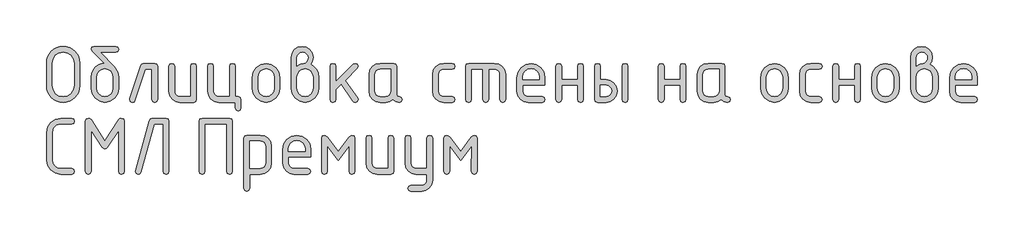
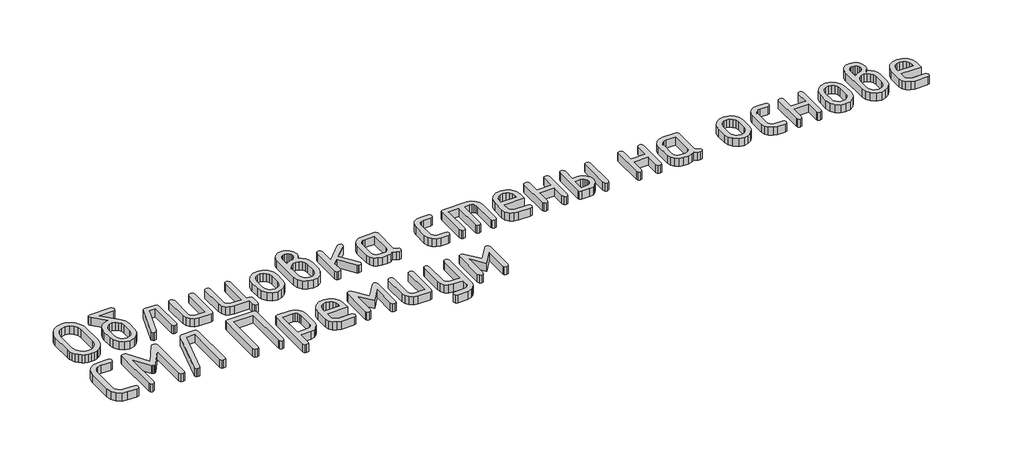
# One storey, part 24 of 33: 1 proxy.
"""IFC4 building model written with IfcOpenShell, lengths in millimetres."""

from ifc_helpers import new_model, si_unit, origin, origin_with_axes, place, context, project, spatial, polyline, outline, extrude, element, save

model = new_model("IFC4")

# Units and contexts
model_context = context("Model", 3, world=origin())
ifc_project = project(units=[si_unit("LENGTHUNIT", "METRE", prefix="MILLI")], contexts=[model_context])

# Site, building, storey
site = spatial("IfcSite", under=ifc_project)
building = spatial("IfcBuilding", under=site)
storey = spatial("IfcBuildingStorey", under=building, Elevation=0.0)

# Proxy
placement = place(None, origin())
element("IfcBuildingElementProxy", 1, Name="Generic Models", at=placement, inside=storey, context=model_context, shape_type="SweptSolid", body=[
    extrude(outline(polyline([(562.1650887, 8671.8700695), (560.5106929, 8653.6364081), (555.5475053, 8636.7847724), (547.2755261, 8621.3151625), (535.6947552, 8607.2275784), (521.7736195, 8595.5055785), (506.4805457, 8587.1327215), (489.815534, 8582.1090073), (471.7785842, 8580.4344359), (453.7416344, 8582.1090073), (437.0766226, 8587.1327215), (421.7835488, 8595.5055785), (407.8624131, 8607.2275784), (396.2816422, 8621.3151625), (388.009663, 8636.7847724), (383.0464755, 8653.6364081), (381.3920796, 8671.8700695), (381.3920796, 8793.7304462), (383.0464755, 8811.9641077), (388.009663, 8828.8157434), (396.2816422, 8844.2853533), (407.8624131, 8858.3729374), (421.7835488, 8870.0949372), (437.0766226, 8878.4677942), (453.7416344, 8883.4915084), (471.7785842, 8885.1660798), (489.9138898, 8883.4990742), (506.6318624, 8878.4980575), (521.932502, 8870.1630297), (535.8158086, 8858.4939907), (547.3436186, 8844.4442358), (555.5777687, 8828.9670601), (560.5182587, 8812.0624635), (562.1650887, 8793.7304462), (562.1650887, 8671.8700695)]), holes=[polyline([(531.17543, 8672.1121763), (531.17543, 8793.4883395), (526.8679482, 8817.0130413), (513.9455026, 8836.5833336), (494.7888093, 8849.7781492), (471.7785842, 8854.1764211), (448.7683591, 8849.7781492), (429.6116658, 8836.5833336), (416.6892202, 8817.0130413), (412.3817383, 8793.4883395), (412.3817383, 8672.1121763), (416.6892202, 8648.5874744), (429.6116658, 8629.0171821), (448.7683591, 8615.8223665), (471.7785842, 8611.4240946), (494.7888093, 8615.8223665), (513.9455026, 8629.0171821), (526.8679482, 8648.5874744), (531.17543, 8672.1121763)])]), origin_with_axes(), (0.0, 0.0, 1.0), 50.0),
    extrude(outline(polyline([(773.9277565, 8717.3054285), (773.9277565, 8656.4559424), (768.4500922, 8627.2316451), (752.0170994, 8602.667902), (727.8165163, 8585.9928025), (699.0360813, 8580.4344359), (670.2556463, 8586.0028902), (646.0550632, 8602.7082531), (629.6220704, 8627.3224352), (624.1444061, 8656.6173469), (624.1444061, 8717.5475352), (626.7369654, 8738.9790228), (634.5146435, 8757.3539132), (647.4774401, 8772.6722064), (665.6253555, 8784.9339025), (681.342116, 8791.5313103), (695.8886941, 8793.7304462), (629.3093492, 8860.7133022), (624.1444061, 8869.6712505), (627.8768845, 8881.2923725), (639.0743198, 8885.1660798), (758.9978428, 8885.1660798), (770.1952781, 8881.2923725), (773.9277565, 8869.6712505), (770.1952781, 8858.0501284), (758.9978428, 8854.1764211), (674.0183881, 8854.1764211), (749.3942767, 8773.7969939), (767.7943865, 8746.519638), (773.9277565, 8717.3054285)]), holes=[polyline([(742.9380978, 8656.9401558), (742.9380978, 8717.5475352), (739.7200961, 8734.9792182), (730.0660911, 8749.6670252), (715.8725853, 8759.653927), (699.0360813, 8762.9828942), (682.1995773, 8759.653927), (668.0060715, 8749.6670252), (658.3520665, 8734.9792182), (655.1340648, 8717.5475352), (655.1340648, 8656.9401558), (658.3218031, 8639.3470684), (667.8850181, 8624.6592614), (682.0482606, 8614.7328863), (699.0360813, 8611.4240946), (715.8725853, 8614.7530619), (730.0660911, 8624.7399636), (739.7200961, 8639.4479462), (742.9380978, 8656.9401558)])]), origin_with_axes(), (0.0, 0.0, 1.0), 50.0),
    extrude(outline(polyline([(909.2654066, 8792.1971037), (970.1955949, 8792.1971037), (981.8167169, 8788.4242742), (985.6904243, 8777.1057855), (985.6904243, 8595.5257541), (981.8167169, 8584.2072655), (970.1955949, 8580.4344359), (958.5744729, 8584.2072655), (954.7007656, 8595.5257541), (954.7007656, 8761.207445), (920.0795062, 8761.207445), (862.942323, 8590.6836199), (857.636151, 8582.9967319), (848.6580272, 8580.4344359), (837.2790119, 8584.2677922), (833.4860068, 8595.7678608), (834.2123269, 8600.3678883), (894.0933862, 8779.8496616), (899.9846494, 8789.1102432), (909.2654066, 8792.1971037)])), origin_with_axes(), (0.0, 0.0, 1.0), 50.0),
    extrude(outline(polyline([(1197.453092, 8777.1057855), (1197.453092, 8595.5257541), (1193.7004381, 8584.2072655), (1182.4424761, 8580.4344359), (1107.5508009, 8580.4344359), (1084.3287324, 8584.8125322), (1065.0207224, 8597.9468212), (1052.0074869, 8617.4565868), (1047.6697417, 8640.9611131), (1047.6697417, 8777.1057855), (1051.543449, 8788.4242742), (1063.164571, 8792.1971037), (1074.785693, 8788.4242742), (1078.6594004, 8777.1057855), (1078.6594004, 8641.5260287), (1080.8181852, 8630.0965745), (1087.2945396, 8620.3416917), (1096.7770524, 8613.6534939), (1107.9543121, 8611.4240946), (1166.4634333, 8611.4240946), (1166.4634333, 8777.1057855), (1170.3371407, 8788.4242742), (1181.9582627, 8792.1971037), (1193.5793847, 8788.4242742), (1197.453092, 8777.1057855)])), origin_with_axes(), (0.0, 0.0, 1.0), 50.0),
    extrude(outline(polyline([(1424.7105892, 8611.4240946), (1436.3317112, 8607.5503873), (1440.2054185, 8595.9292653), (1440.2054185, 8549.4447772), (1436.3317112, 8537.8236552), (1424.7105892, 8533.9499479), (1413.0894671, 8537.8236552), (1409.2157598, 8549.4447772), (1409.2157598, 8580.4344359), (1319.3134687, 8580.4344359), (1296.0914002, 8584.8427956), (1276.7833902, 8598.0678745), (1263.7701546, 8617.6079035), (1259.4324094, 8640.9611131), (1259.4324094, 8777.1057855), (1263.3061168, 8788.4242742), (1274.9272388, 8792.1971037), (1286.5483608, 8788.4242742), (1290.4220681, 8777.1057855), (1290.4220681, 8641.5260287), (1292.580853, 8630.0965745), (1299.0572074, 8620.3416917), (1308.5397202, 8613.6534939), (1319.7169799, 8611.4240946), (1378.2261011, 8611.4240946), (1378.2261011, 8777.1057855), (1382.0998085, 8788.4242742), (1393.7209305, 8792.1971037), (1405.3420525, 8788.4242742), (1409.2157598, 8777.1057855), (1409.2157598, 8611.4240946), (1424.7105892, 8611.4240946)])), origin_with_axes(), (0.0, 0.0, 1.0), 50.0),
    extrude(outline(polyline([(1502.1847359, 8656.0524312), (1502.1847359, 8716.5791084), (1507.6624002, 8745.652089), (1524.095393, 8770.084691), (1548.2959761, 8786.6690005), (1577.0764111, 8792.1971037), (1606.1594795, 8786.7295272), (1630.2995359, 8770.3267977), (1646.5509487, 8745.9547224), (1651.9680863, 8716.5791084), (1651.9680863, 8656.0524312), (1646.490422, 8626.9794507), (1630.0574292, 8602.5468487), (1605.8568461, 8585.9625391), (1577.0764111, 8580.4344359), (1548.2959761, 8585.9625391), (1524.095393, 8602.5468487), (1507.6624002, 8626.9794507), (1502.1847359, 8656.0524312)]), holes=[polyline([(1620.9784276, 8656.9401558), (1620.9784276, 8717.5475352), (1617.7604259, 8734.9792182), (1608.1064209, 8749.6670252), (1593.9129151, 8759.653927), (1577.0764111, 8762.9828942), (1560.2399071, 8759.653927), (1546.0464013, 8749.6670252), (1536.3923963, 8734.9792182), (1533.1743946, 8717.5475352), (1533.1743946, 8656.9401558), (1536.3621329, 8639.3470684), (1545.9253479, 8624.6592614), (1560.0885904, 8614.7328863), (1577.0764111, 8611.4240946), (1593.9129151, 8614.7530619), (1608.1064209, 8624.7399636), (1617.7604259, 8639.4479462), (1620.9784276, 8656.9401558)])]), origin_with_axes(), (0.0, 0.0, 1.0), 50.0),
    extrude(outline(polyline([(1818.7796085, 8787.516374), (1837.3108595, 8776.1272709), (1851.5850675, 8759.5530492), (1860.6943324, 8739.4682801), (1863.7307541, 8717.5475352), (1863.7307541, 8656.6173469), (1858.2530898, 8627.1711185), (1841.8200969, 8602.5871998), (1817.6195139, 8585.9726269), (1788.8390789, 8580.4344359), (1759.9073272, 8586.0028902), (1735.7370075, 8602.7082531), (1719.3948046, 8627.3224352), (1713.9474037, 8656.6173469), (1713.9474037, 8824.2358915), (1718.2750611, 8847.8412956), (1731.2580333, 8867.4922901), (1750.4349022, 8880.7476324), (1773.3442495, 8885.1660798), (1796.3544746, 8880.717369), (1815.5111679, 8867.3712367), (1828.4336135, 8847.6899789), (1832.7410954, 8824.2358915), (1829.2507236, 8803.5155923), (1818.7796085, 8787.516374)]), holes=[polyline([(1832.7410954, 8656.9401558), (1832.7410954, 8717.5475352), (1829.553357, 8734.9792182), (1819.990142, 8749.6670252), (1805.8268996, 8759.653927), (1788.8390789, 8762.9828942), (1771.8512582, 8759.653927), (1757.6880157, 8749.6670252), (1748.1248007, 8734.9792182), (1744.9370624, 8717.5475352), (1744.9370624, 8656.9401558), (1748.1248007, 8639.3470684), (1757.6880157, 8624.6592614), (1771.8512582, 8614.7328863), (1788.8390789, 8611.4240946), (1805.8268996, 8614.7530619), (1819.990142, 8624.7399636), (1829.553357, 8639.4479462), (1832.7410954, 8656.9401558)]), polyline([(1744.9370624, 8777.4285945), (1763.4178745, 8788.7470831), (1780.2846418, 8792.5199127), (1789.3636434, 8795.1629109), (1797.7163249, 8803.0919056), (1803.5874125, 8812.957754), (1805.5444418, 8822.8639535), (1803.3654814, 8834.6666555), (1796.8286003, 8844.4114505), (1787.0636297, 8850.9483317), (1775.200401, 8853.127292), (1763.5490156, 8850.9180683), (1753.7739572, 8844.2903972), (1747.1462861, 8834.5153388), (1744.9370624, 8822.8639535), (1744.9370624, 8777.4285945)])]), origin_with_axes(), (0.0, 0.0, 1.0), 50.0),
    extrude(outline(polyline([(1956.6997302, 8692.7719487), (2051.9283689, 8787.839183), (2062.7424685, 8792.1971037), (2074.1214838, 8788.4242742), (2077.9144889, 8777.1057855), (2073.3144615, 8766.5337926), (2006.7351166, 8700.03515), (2074.9285062, 8604.2415956), (2077.9144889, 8595.3643496), (2074.1214838, 8584.1669144), (2062.7424685, 8580.4344359), (2055.6003206, 8582.0484807), (2050.1529197, 8586.8906148), (1984.9455128, 8678.4876529), (1956.6997302, 8650.2418702), (1956.6997302, 8595.6064563), (1952.8260228, 8584.227441), (1941.2049008, 8580.4344359), (1929.5837788, 8584.2072655), (1925.7100715, 8595.5257541), (1925.7100715, 8777.1057855), (1929.5837788, 8788.4242742), (1941.2049008, 8792.1971037), (1952.8260228, 8788.4242742), (1956.6997302, 8777.1057855), (1956.6997302, 8692.7719487)])), origin_with_axes(), (0.0, 0.0, 1.0), 50.0),
    extrude(outline(polyline([(2317.5194282, 8595.5257541), (2313.7465986, 8584.2072655), (2302.42811, 8580.4344359), (2283.2815045, 8584.4493722), (2267.9682552, 8596.4941809), (2249.5479698, 8584.4493722), (2227.3750304, 8580.4344359), (2197.3537985, 8580.4344359), (2174.13173, 8584.8125322), (2154.82372, 8597.9468212), (2141.8104844, 8617.4565868), (2137.4727392, 8640.9611131), (2137.4727392, 8731.6704266), (2141.8104844, 8755.1749529), (2154.82372, 8774.6847185), (2174.13173, 8787.8190074), (2197.3537985, 8792.1971037), (2272.2454737, 8792.1971037), (2283.5034356, 8788.4242742), (2287.2560896, 8777.1057855), (2287.2560896, 8625.7890927), (2291.0390069, 8614.470604), (2302.3877589, 8610.6977745), (2313.7365109, 8606.9047694), (2317.5194282, 8595.5257541)]), holes=[polyline([(2256.2664309, 8761.207445), (2197.7573097, 8761.207445), (2186.4791722, 8759.0183969), (2177.016835, 8752.4512524), (2170.6010072, 8742.7770718), (2168.4623979, 8731.2669154), (2168.4623979, 8641.3646243), (2170.6211828, 8629.9553456), (2177.0975372, 8620.2609895), (2186.58005, 8613.6333183), (2197.7573097, 8611.4240946), (2226.9715192, 8611.4240946), (2238.2496567, 8613.6131428), (2247.7119939, 8620.1802873), (2254.1278217, 8629.8544678), (2256.2664309, 8641.3646243), (2256.2664309, 8761.207445)])]), origin_with_axes(), (0.0, 0.0, 1.0), 50.0),
    extrude(outline(polyline([(2514.5135867, 8731.2669154), (2514.5135867, 8641.3646243), (2516.7530738, 8629.9553456), (2523.471535, 8620.2609895), (2533.2768567, 8613.6333183), (2544.7769253, 8611.4240946), (2590.2929865, 8611.4240946), (2601.6114752, 8607.5503873), (2605.3843047, 8595.9292653), (2601.6114752, 8584.3081433), (2590.2929865, 8580.4344359), (2544.7769253, 8580.4344359), (2521.2320479, 8584.8125322), (2501.4398245, 8597.9468212), (2488.0029022, 8617.4565868), (2483.523928, 8640.9611131), (2483.523928, 8731.6704266), (2488.0029022, 8755.1749529), (2501.4398245, 8774.6847185), (2521.2320479, 8787.8190074), (2544.7769253, 8792.1971037), (2590.2929865, 8792.1971037), (2601.6114752, 8788.3233964), (2605.3843047, 8776.7022744), (2601.6114752, 8765.0811523), (2590.2929865, 8761.207445), (2544.7769253, 8761.207445), (2533.12554, 8759.0183969), (2523.3504816, 8752.4512524), (2516.7228105, 8742.7770718), (2514.5135867, 8731.2669154)])), origin_with_axes(), (0.0, 0.0, 1.0), 50.0),
    extrude(outline(polyline([(2679.7917665, 8792.1971037), (2819.2452306, 8792.1971037), (2843.1330925, 8787.7887441), (2863.1472471, 8774.5636651), (2876.7052228, 8755.0236362), (2881.224548, 8731.6704266), (2881.224548, 8595.5257541), (2877.3508407, 8584.2072655), (2865.7297187, 8580.4344359), (2854.1085967, 8584.2072655), (2850.2348893, 8595.5257541), (2850.2348893, 8731.1055109), (2848.00549, 8742.8375985), (2841.3172922, 8752.5319546), (2831.3404783, 8759.0385724), (2819.2452306, 8761.207445), (2788.2555719, 8761.207445), (2788.2555719, 8595.5257541), (2784.3818646, 8584.2072655), (2772.7607426, 8580.4344359), (2761.1396206, 8584.2072655), (2757.2659132, 8595.5257541), (2757.2659132, 8761.207445), (2695.2865958, 8761.207445), (2695.2865958, 8595.5257541), (2691.4128885, 8584.2072655), (2679.7917665, 8580.4344359), (2668.1706445, 8584.2072655), (2664.2969371, 8595.5257541), (2664.2969371, 8777.1057855), (2668.1706445, 8788.4242742), (2679.7917665, 8792.1971037)])), origin_with_axes(), (0.0, 0.0, 1.0), 50.0),
    extrude(outline(polyline([(2974.1935241, 8673.403412), (2974.1935241, 8642.4137533), (2976.4330112, 8630.6211391), (2983.1514723, 8620.5837984), (2992.956794, 8613.7140206), (3004.4568627, 8611.4240946), (3080.2362625, 8611.4240946), (3091.6152778, 8607.5503873), (3095.4082829, 8595.9292653), (3091.6152778, 8584.3081433), (3080.2362625, 8580.4344359), (3004.4568627, 8580.4344359), (2980.9119853, 8584.8125322), (2961.1197618, 8597.9468212), (2947.6828395, 8617.4565868), (2943.2038654, 8640.9611131), (2943.2038654, 8716.5791084), (2948.8227586, 8745.652089), (2965.6794382, 8770.084691), (2990.4045858, 8786.6690005), (3019.6288831, 8792.1971037), (3049.0751115, 8786.830405), (3073.4976258, 8770.7303089), (3089.9306186, 8746.8020959), (3095.4082829, 8717.9510464), (3095.4082829, 8673.403412), (2974.1935241, 8673.403412)]), holes=[polyline([(3019.6288831, 8765.0004501), (3002.1972001, 8761.6714829), (2987.5093931, 8751.6845811), (2977.5224914, 8736.9967742), (2974.1935241, 8719.5650911), (2974.1935241, 8704.3930707), (3065.0642421, 8704.3930707), (3065.0642421, 8719.5650911), (3061.7352748, 8736.9967742), (3051.7483731, 8751.6845811), (3037.0605661, 8761.6714829), (3019.6288831, 8765.0004501)])]), origin_with_axes(), (0.0, 0.0, 1.0), 50.0),
    extrude(outline(polyline([(3185.9561919, 8673.403412), (3185.9561919, 8595.9292653), (3182.0824846, 8584.3081433), (3170.4613625, 8580.4344359), (3158.8402405, 8584.2072655), (3154.9665332, 8595.5257541), (3154.9665332, 8777.1057855), (3158.8402405, 8788.4242742), (3170.4613625, 8792.1971037), (3182.0824846, 8788.5453275), (3185.9561919, 8777.589999), (3185.9561919, 8704.3930707), (3273.7602249, 8704.3930707), (3273.7602249, 8777.589999), (3277.6339322, 8788.5453275), (3289.2550542, 8792.1971037), (3300.8761762, 8788.4242742), (3304.7498836, 8777.1057855), (3304.7498836, 8595.5257541), (3300.8761762, 8584.2072655), (3289.2550542, 8580.4344359), (3277.6339322, 8584.3081433), (3273.7602249, 8595.9292653), (3273.7602249, 8673.403412), (3185.9561919, 8673.403412)])), origin_with_axes(), (0.0, 0.0, 1.0), 50.0),
    extrude(outline(polyline([(3516.5125513, 8777.1057855), (3520.3862587, 8788.4242742), (3532.0073807, 8792.1971037), (3543.6285027, 8788.4242742), (3547.50221, 8777.1057855), (3547.50221, 8595.5257541), (3543.6285027, 8584.2072655), (3532.0073807, 8580.4344359), (3520.3862587, 8584.2072655), (3516.5125513, 8595.5257541), (3516.5125513, 8777.1057855)])), origin_with_axes(), (0.0, 0.0, 1.0), 50.0),
    extrude(outline(polyline([(3488.5895776, 8642.4137533), (3484.2013935, 8618.3745747), (3471.0368412, 8598.3906835), (3451.4968123, 8584.9234978), (3427.9821982, 8580.4344359), (3382.2240303, 8580.4344359), (3370.6029083, 8584.2072655), (3366.729201, 8595.5257541), (3366.729201, 8777.1057855), (3370.6029083, 8788.4242742), (3382.2240303, 8792.1971037), (3393.8451523, 8788.5453275), (3397.7188597, 8777.589999), (3397.7188597, 8704.3930707), (3427.9821982, 8704.3930707), (3451.4968123, 8699.9040088), (3471.0368412, 8686.4368232), (3484.2013935, 8666.4529319), (3488.5895776, 8642.4137533)]), holes=[polyline([(3458.326239, 8642.4137533), (3456.1472787, 8654.509001), (3449.6103975, 8664.4858149), (3439.845427, 8671.1740128), (3427.9821982, 8673.403412), (3397.7188597, 8673.403412), (3397.7188597, 8611.4240946), (3427.9821982, 8611.4240946), (3439.6941103, 8613.6837572), (3449.4893442, 8620.4627451), (3456.1170153, 8630.4698224), (3458.326239, 8642.4137533)])]), origin_with_axes(), (0.0, 0.0, 1.0), 50.0),
    extrude(outline(polyline([(3743.7700485, 8673.403412), (3743.7700485, 8595.9292653), (3739.8963411, 8584.3081433), (3728.2752191, 8580.4344359), (3716.6540971, 8584.2072655), (3712.7803898, 8595.5257541), (3712.7803898, 8777.1057855), (3716.6540971, 8788.4242742), (3728.2752191, 8792.1971037), (3739.8963411, 8788.5453275), (3743.7700485, 8777.589999), (3743.7700485, 8704.3930707), (3831.5740815, 8704.3930707), (3831.5740815, 8777.589999), (3835.4477888, 8788.5453275), (3847.0689108, 8792.1971037), (3858.6900328, 8788.4242742), (3862.5637401, 8777.1057855), (3862.5637401, 8595.5257541), (3858.6900328, 8584.2072655), (3847.0689108, 8580.4344359), (3835.4477888, 8584.3081433), (3831.5740815, 8595.9292653), (3831.5740815, 8673.403412), (3743.7700485, 8673.403412)])), origin_with_axes(), (0.0, 0.0, 1.0), 50.0),
    extrude(outline(polyline([(4104.5897465, 8595.5257541), (4100.816917, 8584.2072655), (4089.4984283, 8580.4344359), (4070.3518228, 8584.4493722), (4055.0385735, 8596.4941809), (4036.6182881, 8584.4493722), (4014.4453487, 8580.4344359), (3984.4241168, 8580.4344359), (3961.2020483, 8584.8125322), (3941.8940383, 8597.9468212), (3928.8808027, 8617.4565868), (3924.5430575, 8640.9611131), (3924.5430575, 8731.6704266), (3928.8808027, 8755.1749529), (3941.8940383, 8774.6847185), (3961.2020483, 8787.8190074), (3984.4241168, 8792.1971037), (4059.315792, 8792.1971037), (4070.5737539, 8788.4242742), (4074.3264079, 8777.1057855), (4074.3264079, 8625.7890927), (4078.1093252, 8614.470604), (4089.4580772, 8610.6977745), (4100.8068292, 8606.9047694), (4104.5897465, 8595.5257541)]), holes=[polyline([(4043.3367492, 8761.207445), (3984.827628, 8761.207445), (3973.5494905, 8759.0183969), (3964.0871533, 8752.4512524), (3957.6713255, 8742.7770718), (3955.5327162, 8731.2669154), (3955.5327162, 8641.3646243), (3957.6915011, 8629.9553456), (3964.1678555, 8620.2609895), (3973.6503683, 8613.6333183), (3984.827628, 8611.4240946), (4014.0418375, 8611.4240946), (4025.319975, 8613.6131428), (4034.7823122, 8620.1802873), (4041.19814, 8629.8544678), (4043.3367492, 8641.3646243), (4043.3367492, 8761.207445)])]), origin_with_axes(), (0.0, 0.0, 1.0), 50.0),
    extrude(outline(polyline([(4270.5942464, 8656.0524312), (4270.5942464, 8716.5791084), (4276.0719106, 8745.652089), (4292.5049035, 8770.084691), (4316.7054866, 8786.6690005), (4345.4859215, 8792.1971037), (4374.5689899, 8786.7295272), (4398.7090463, 8770.3267977), (4414.9604591, 8745.9547224), (4420.3775967, 8716.5791084), (4420.3775967, 8656.0524312), (4414.8999324, 8626.9794507), (4398.4669396, 8602.5468487), (4374.2663565, 8585.9625391), (4345.4859215, 8580.4344359), (4316.7054866, 8585.9625391), (4292.5049035, 8602.5468487), (4276.0719106, 8626.9794507), (4270.5942464, 8656.0524312)]), holes=[polyline([(4389.387938, 8656.9401558), (4389.387938, 8717.5475352), (4386.1699364, 8734.9792182), (4376.5159314, 8749.6670252), (4362.3224256, 8759.653927), (4345.4859215, 8762.9828942), (4328.6494175, 8759.653927), (4314.4559117, 8749.6670252), (4304.8019067, 8734.9792182), (4301.5839051, 8717.5475352), (4301.5839051, 8656.9401558), (4304.7716434, 8639.3470684), (4314.3348584, 8624.6592614), (4328.4981008, 8614.7328863), (4345.4859215, 8611.4240946), (4362.3224256, 8614.7530619), (4376.5159314, 8624.7399636), (4386.1699364, 8639.4479462), (4389.387938, 8656.9401558)])]), origin_with_axes(), (0.0, 0.0, 1.0), 50.0),
    extrude(outline(polyline([(4513.3465728, 8731.2669154), (4513.3465728, 8641.3646243), (4515.5860599, 8629.9553456), (4522.304521, 8620.2609895), (4532.1098427, 8613.6333183), (4543.6099114, 8611.4240946), (4589.1259726, 8611.4240946), (4600.4444612, 8607.5503873), (4604.2172908, 8595.9292653), (4600.4444612, 8584.3081433), (4589.1259726, 8580.4344359), (4543.6099114, 8580.4344359), (4520.065034, 8584.8125322), (4500.2728106, 8597.9468212), (4486.8358882, 8617.4565868), (4482.3569141, 8640.9611131), (4482.3569141, 8731.6704266), (4486.8358882, 8755.1749529), (4500.2728106, 8774.6847185), (4520.065034, 8787.8190074), (4543.6099114, 8792.1971037), (4589.1259726, 8792.1971037), (4600.4444612, 8788.3233964), (4604.2172908, 8776.7022744), (4600.4444612, 8765.0811523), (4589.1259726, 8761.207445), (4543.6099114, 8761.207445), (4531.9585261, 8759.0183969), (4522.1834677, 8752.4512524), (4515.5557965, 8742.7770718), (4513.3465728, 8731.2669154)])), origin_with_axes(), (0.0, 0.0, 1.0), 50.0),
    extrude(outline(polyline([(4694.1195819, 8673.403412), (4694.1195819, 8595.9292653), (4690.2458746, 8584.3081433), (4678.6247526, 8580.4344359), (4667.0036305, 8584.2072655), (4663.1299232, 8595.5257541), (4663.1299232, 8777.1057855), (4667.0036305, 8788.4242742), (4678.6247526, 8792.1971037), (4690.2458746, 8788.5453275), (4694.1195819, 8777.589999), (4694.1195819, 8704.3930707), (4781.9236149, 8704.3930707), (4781.9236149, 8777.589999), (4785.7973222, 8788.5453275), (4797.4184442, 8792.1971037), (4809.0395662, 8788.4242742), (4812.9132736, 8777.1057855), (4812.9132736, 8595.5257541), (4809.0395662, 8584.2072655), (4797.4184442, 8580.4344359), (4785.7973222, 8584.3081433), (4781.9236149, 8595.9292653), (4781.9236149, 8673.403412), (4694.1195819, 8673.403412)])), origin_with_axes(), (0.0, 0.0, 1.0), 50.0),
    extrude(outline(polyline([(4874.892591, 8656.0524312), (4874.892591, 8716.5791084), (4880.3702553, 8745.652089), (4896.8032481, 8770.084691), (4921.0038312, 8786.6690005), (4949.7842662, 8792.1971037), (4978.8673345, 8786.7295272), (5003.0073909, 8770.3267977), (5019.2588038, 8745.9547224), (5024.6759414, 8716.5791084), (5024.6759414, 8656.0524312), (5019.1982771, 8626.9794507), (5002.7652842, 8602.5468487), (4978.5647012, 8585.9625391), (4949.7842662, 8580.4344359), (4921.0038312, 8585.9625391), (4896.8032481, 8602.5468487), (4880.3702553, 8626.9794507), (4874.892591, 8656.0524312)]), holes=[polyline([(4993.6862827, 8656.9401558), (4993.6862827, 8717.5475352), (4990.468281, 8734.9792182), (4980.814276, 8749.6670252), (4966.6207702, 8759.653927), (4949.7842662, 8762.9828942), (4932.9477621, 8759.653927), (4918.7542564, 8749.6670252), (4909.1002514, 8734.9792182), (4905.8822497, 8717.5475352), (4905.8822497, 8656.9401558), (4909.069988, 8639.3470684), (4918.633203, 8624.6592614), (4932.7964455, 8614.7328863), (4949.7842662, 8611.4240946), (4966.6207702, 8614.7530619), (4980.814276, 8624.7399636), (4990.468281, 8639.4479462), (4993.6862827, 8656.9401558)])]), origin_with_axes(), (0.0, 0.0, 1.0), 50.0),
    extrude(outline(polyline([(5191.4874636, 8787.516374), (5210.0187146, 8776.1272709), (5224.2929226, 8759.5530492), (5233.4021875, 8739.4682801), (5236.4386091, 8717.5475352), (5236.4386091, 8656.6173469), (5230.9609449, 8627.1711185), (5214.527952, 8602.5871998), (5190.3273689, 8585.9726269), (5161.5469339, 8580.4344359), (5132.6151823, 8586.0028902), (5108.4448625, 8602.7082531), (5092.1026597, 8627.3224352), (5086.6552588, 8656.6173469), (5086.6552588, 8824.2358915), (5090.9829162, 8847.8412956), (5103.9658884, 8867.4922901), (5123.1427573, 8880.7476324), (5146.0521046, 8885.1660798), (5169.0623297, 8880.717369), (5188.219023, 8867.3712367), (5201.1414686, 8847.6899789), (5205.4489504, 8824.2358915), (5201.9585787, 8803.5155923), (5191.4874636, 8787.516374)]), holes=[polyline([(5117.6449175, 8777.4285945), (5136.1257295, 8788.7470831), (5152.9924969, 8792.5199127), (5162.0714985, 8795.1629109), (5170.4241799, 8803.0919056), (5176.2952676, 8812.957754), (5178.2522968, 8822.8639535), (5176.0733365, 8834.6666555), (5169.5364553, 8844.4114505), (5159.7714848, 8850.9483317), (5147.908256, 8853.127292), (5136.2568707, 8850.9180683), (5126.4818123, 8844.2903972), (5119.8541412, 8834.5153388), (5117.6449175, 8822.8639535), (5117.6449175, 8777.4285945)]), polyline([(5205.4489504, 8656.9401558), (5205.4489504, 8717.5475352), (5202.2612121, 8734.9792182), (5192.6979971, 8749.6670252), (5178.5347547, 8759.653927), (5161.5469339, 8762.9828942), (5144.5591132, 8759.653927), (5130.3958708, 8749.6670252), (5120.8326558, 8734.9792182), (5117.6449175, 8717.5475352), (5117.6449175, 8656.9401558), (5120.8326558, 8639.3470684), (5130.3958708, 8624.6592614), (5144.5591132, 8614.7328863), (5161.5469339, 8611.4240946), (5178.5347547, 8614.7530619), (5192.6979971, 8624.7399636), (5202.2612121, 8639.4479462), (5205.4489504, 8656.9401558)])]), origin_with_axes(), (0.0, 0.0, 1.0), 50.0),
    extrude(outline(polyline([(5329.4075852, 8673.403412), (5329.4075852, 8642.4137533), (5331.6470723, 8630.6211391), (5338.3655335, 8620.5837984), (5348.1708552, 8613.7140206), (5359.6709238, 8611.4240946), (5435.4503236, 8611.4240946), (5446.8293389, 8607.5503873), (5450.622344, 8595.9292653), (5446.8293389, 8584.3081433), (5435.4503236, 8580.4344359), (5359.6709238, 8580.4344359), (5336.1260464, 8584.8125322), (5316.333823, 8597.9468212), (5302.8969006, 8617.4565868), (5298.4179265, 8640.9611131), (5298.4179265, 8716.5791084), (5304.0368197, 8745.652089), (5320.8934993, 8770.084691), (5345.6186469, 8786.6690005), (5374.8429442, 8792.1971037), (5404.2891726, 8786.830405), (5428.7116869, 8770.7303089), (5445.1446797, 8746.8020959), (5450.622344, 8717.9510464), (5450.622344, 8673.403412), (5329.4075852, 8673.403412)]), holes=[polyline([(5374.8429442, 8765.0004501), (5357.4112612, 8761.6714829), (5342.7234542, 8751.6845811), (5332.7365525, 8736.9967742), (5329.4075852, 8719.5650911), (5329.4075852, 8704.3930707), (5420.2783032, 8704.3930707), (5420.2783032, 8719.5650911), (5416.9493359, 8736.9967742), (5406.9624342, 8751.6845811), (5392.2746272, 8761.6714829), (5374.8429442, 8765.0004501)])]), origin_with_axes(), (0.0, 0.0, 1.0), 50.0),
    extrude(outline(polyline([(518.4244767, 8493.1175886), (529.803492, 8489.2438813), (533.5964971, 8477.6227593), (529.803492, 8466.0016373), (518.4244767, 8462.1279299), (457.8170973, 8462.1279299), (434.9380133, 8456.4989489), (418.5958105, 8439.612006), (413.9352564, 8428.5759752), (412.3817383, 8416.6118687), (412.3817383, 8264.8916647), (415.7107056, 8247.399455), (425.6976073, 8232.6914724), (440.3854143, 8222.7045707), (457.8170973, 8219.3756034), (518.4244767, 8219.3756034), (529.803492, 8215.5018961), (533.5964971, 8203.8807741), (529.803492, 8192.2596521), (518.4244767, 8188.3859447), (457.8170973, 8188.3859447), (428.5928, 8193.954399), (403.8676524, 8210.6597619), (387.0109728, 8235.273944), (381.3920796, 8264.5688557), (381.3920796, 8416.9346777), (387.0109728, 8446.2295894), (403.8676524, 8470.8437714), (428.5928, 8487.5491343), (457.8170973, 8493.1175886), (518.4244767, 8493.1175886)])), origin_with_axes(), (0.0, 0.0, 1.0), 50.0),
    extrude(outline(polyline([(788.1313501, 8493.1175886), (800.7208989, 8489.304408), (804.9174152, 8477.864866), (804.9174152, 8203.6386674), (801.0437078, 8192.1991254), (789.4225858, 8188.3859447), (777.8014638, 8192.1991254), (773.9277565, 8203.6386674), (773.9277565, 8427.7487773), (712.9168659, 8335.1833124), (706.3799848, 8328.3437979), (699.0360813, 8326.0639597), (691.5711244, 8328.3437979), (684.9938922, 8335.1833124), (624.1444061, 8427.7487773), (624.1444061, 8203.6386674), (620.2706988, 8192.1991254), (608.6495768, 8188.3859447), (597.0284547, 8192.1991254), (593.1547474, 8203.6386674), (593.1547474, 8477.864866), (597.2705615, 8489.304408), (609.6180036, 8493.1175886), (617.7689294, 8491.2210861), (624.1444061, 8485.5315784), (698.7939746, 8368.4326337), (773.9277565, 8486.419303), (779.899722, 8491.4430172), (788.1313501, 8493.1175886)])), origin_with_axes(), (0.0, 0.0, 1.0), 50.0),
    extrude(outline(polyline([(955.5884902, 8493.1175886), (1032.1749123, 8493.1175886), (1043.7960343, 8489.304408), (1047.6697417, 8477.864866), (1047.6697417, 8203.6386674), (1043.7960343, 8192.1991254), (1032.1749123, 8188.3859447), (1020.5537903, 8192.1789499), (1016.680083, 8203.5579652), (1016.680083, 8462.1279299), (967.5324211, 8462.1279299), (894.7390041, 8198.9579377), (889.6345876, 8191.028943), (880.2933038, 8188.3859447), (868.9142885, 8192.1991254), (865.1212834, 8203.6386674), (866.3318169, 8209.1264195), (940.4164698, 8477.864866), (946.307733, 8489.304408), (955.5884902, 8493.1175886)])), origin_with_axes(), (0.0, 0.0, 1.0), 50.0),
    extrude(outline(polyline([(1228.0392396, 8493.1175886), (1378.6296123, 8493.1175886), (1389.9481009, 8489.304408), (1393.7209305, 8477.864866), (1393.7209305, 8203.6386674), (1389.8472231, 8192.1991254), (1378.2261011, 8188.3859447), (1366.6049791, 8192.1789499), (1362.7312718, 8203.5579652), (1362.7312718, 8462.1279299), (1243.9375801, 8462.1279299), (1243.9375801, 8203.5579652), (1240.0638727, 8192.1789499), (1228.4427507, 8188.3859447), (1216.8216287, 8192.1991254), (1212.9479214, 8203.6386674), (1212.9479214, 8477.864866), (1216.7207509, 8489.304408), (1228.0392396, 8493.1175886)])), origin_with_axes(), (0.0, 0.0, 1.0), 50.0),
    extrude(outline(polyline([(1455.7002479, 8384.8958899), (1459.4529018, 8396.3354319), (1470.7108638, 8400.1486125), (1545.602539, 8400.1486125), (1568.8246074, 8395.7705162), (1588.1326175, 8382.6362273), (1601.145853, 8363.1264617), (1605.4835982, 8339.6219354), (1605.4835982, 8248.9126219), (1601.1761164, 8225.5594123), (1588.2536708, 8206.0193834), (1569.0969775, 8192.7943044), (1546.0867524, 8188.3859447), (1486.6899066, 8188.3859447), (1486.6899066, 8110.911798), (1482.8161992, 8099.290676), (1471.1950772, 8095.4169687), (1459.5739552, 8099.2301493), (1455.7002479, 8110.6696913), (1455.7002479, 8384.8958899)]), holes=[polyline([(1486.6899066, 8369.1589538), (1486.6899066, 8219.3756034), (1545.1990278, 8219.3756034), (1556.4771653, 8221.5646516), (1565.9395025, 8228.1317961), (1572.3553303, 8237.8059766), (1574.4939395, 8249.3161331), (1574.4939395, 8339.2184242), (1572.3855936, 8350.8798973), (1566.0605559, 8360.5238146), (1556.628482, 8367.000169), (1545.1990278, 8369.1589538), (1486.6899066, 8369.1589538)])]), origin_with_axes(), (0.0, 0.0, 1.0), 50.0),
    extrude(outline(polyline([(1698.4525743, 8281.3549208), (1698.4525743, 8250.3652621), (1700.6920614, 8238.5726479), (1707.4105226, 8228.5353073), (1717.2158443, 8221.6655294), (1728.7159129, 8219.3756034), (1804.4953127, 8219.3756034), (1815.874328, 8215.5018961), (1819.6673331, 8203.8807741), (1815.874328, 8192.2596521), (1804.4953127, 8188.3859447), (1728.7159129, 8188.3859447), (1705.1710355, 8192.7640411), (1685.3788121, 8205.89833), (1671.9418897, 8225.4080956), (1667.4629156, 8248.9126219), (1667.4629156, 8324.5306172), (1673.0818088, 8353.6035978), (1689.9384884, 8378.0361998), (1714.663636, 8394.6205093), (1743.8879333, 8400.1486125), (1773.3341617, 8394.7819138), (1797.756676, 8378.6818177), (1814.1896688, 8354.7536047), (1819.6673331, 8325.9025552), (1819.6673331, 8281.3549208), (1698.4525743, 8281.3549208)]), holes=[polyline([(1743.8879333, 8372.9519589), (1726.4562503, 8369.6229917), (1711.7684433, 8359.63609), (1701.7815416, 8344.948283), (1698.4525743, 8327.5165999), (1698.4525743, 8312.3445795), (1789.3232923, 8312.3445795), (1789.3232923, 8327.5165999), (1785.994325, 8344.948283), (1776.0074233, 8359.63609), (1761.3196163, 8369.6229917), (1743.8879333, 8372.9519589)])]), origin_with_axes(), (0.0, 0.0, 1.0), 50.0),
    extrude(outline(polyline([(1970.0963014, 8263.9232378), (1910.2152421, 8341.4780868), (1910.2152421, 8203.4772629), (1906.3415348, 8192.1587743), (1894.7204128, 8188.3859447), (1883.0992908, 8192.1587743), (1879.2255834, 8203.4772629), (1879.2255834, 8385.0572944), (1883.0992908, 8396.375783), (1894.7204128, 8400.1486125), (1902.4678274, 8397.747721), (1910.2152421, 8390.5450464), (1969.612088, 8312.9094952), (2029.0089338, 8390.5450464), (2036.7563485, 8397.747721), (2044.5037631, 8400.1486125), (2056.1248852, 8396.375783), (2059.9985925, 8385.0572944), (2059.9985925, 8203.4772629), (2056.1248852, 8192.1587743), (2044.5037631, 8188.3859447), (2032.8826411, 8192.1587743), (2029.0089338, 8203.4772629), (2029.8966584, 8341.4780868), (1970.0963014, 8263.9232378)])), origin_with_axes(), (0.0, 0.0, 1.0), 50.0),
    extrude(outline(polyline([(2271.7612603, 8385.0572944), (2271.7612603, 8203.4772629), (2268.0086063, 8192.1587743), (2256.7506443, 8188.3859447), (2181.8589691, 8188.3859447), (2158.6369007, 8192.7640411), (2139.3288907, 8205.89833), (2126.3156551, 8225.4080956), (2121.9779099, 8248.9126219), (2121.9779099, 8385.0572944), (2125.8516172, 8396.375783), (2137.4727392, 8400.1486125), (2149.0938613, 8396.375783), (2152.9675686, 8385.0572944), (2152.9675686, 8249.4775375), (2155.1263534, 8238.0480833), (2161.6027079, 8228.2932005), (2171.0852206, 8221.6050027), (2182.2624803, 8219.3756034), (2240.7716016, 8219.3756034), (2240.7716016, 8385.0572944), (2244.6453089, 8396.375783), (2256.2664309, 8400.1486125), (2267.8875529, 8396.375783), (2271.7612603, 8385.0572944)])), origin_with_axes(), (0.0, 0.0, 1.0), 50.0),
    extrude(outline(polyline([(2452.5342693, 8156.9120726), (2452.5342693, 8188.3859447), (2393.1374235, 8188.3859447), (2370.1271984, 8192.7943044), (2350.9705051, 8206.0193834), (2338.0480595, 8225.5594123), (2333.7405777, 8248.9126219), (2333.7405777, 8385.0572944), (2337.614285, 8396.375783), (2349.235407, 8400.1486125), (2360.856529, 8396.375783), (2364.7302364, 8385.0572944), (2364.7302364, 8249.4775375), (2366.8890212, 8238.0480833), (2373.3653756, 8228.2932005), (2382.8478884, 8221.6050027), (2394.0251481, 8219.3756034), (2452.5342693, 8219.3756034), (2452.5342693, 8385.0572944), (2456.4079767, 8396.375783), (2468.0290987, 8400.1486125), (2479.6502207, 8396.3354319), (2483.523928, 8384.8958899), (2483.523928, 8156.347157), (2479.2769729, 8132.8930696), (2466.5361073, 8113.2118117), (2447.6013452, 8099.8656794), (2424.7727001, 8095.4169687), (2364.7302364, 8095.4169687), (2353.3512211, 8099.290676), (2349.558216, 8110.911798), (2354.1582434, 8121.7258977), (2364.7302364, 8126.4066274), (2423.2393576, 8126.4066274), (2434.6688118, 8128.5754999), (2444.1008857, 8135.0821177), (2450.4259234, 8144.8773517), (2452.5342693, 8156.9120726)])), origin_with_axes(), (0.0, 0.0, 1.0), 50.0),
    extrude(outline(polyline([(2636.3739634, 8263.9232378), (2576.4929041, 8341.4780868), (2576.4929041, 8203.4772629), (2572.6191968, 8192.1587743), (2560.9980748, 8188.3859447), (2549.3769528, 8192.1587743), (2545.5032454, 8203.4772629), (2545.5032454, 8385.0572944), (2549.3769528, 8396.375783), (2560.9980748, 8400.1486125), (2568.7454895, 8397.747721), (2576.4929041, 8390.5450464), (2635.88975, 8312.9094952), (2695.2865958, 8390.5450464), (2703.0340105, 8397.747721), (2710.7814252, 8400.1486125), (2722.4025472, 8396.375783), (2726.2762545, 8385.0572944), (2726.2762545, 8203.4772629), (2722.4025472, 8192.1587743), (2710.7814252, 8188.3859447), (2699.1603032, 8192.1587743), (2695.2865958, 8203.4772629), (2696.1743204, 8341.4780868), (2636.3739634, 8263.9232378)])), origin_with_axes(), (0.0, 0.0, 1.0), 50.0),
])

save(model, "model.ifc")
